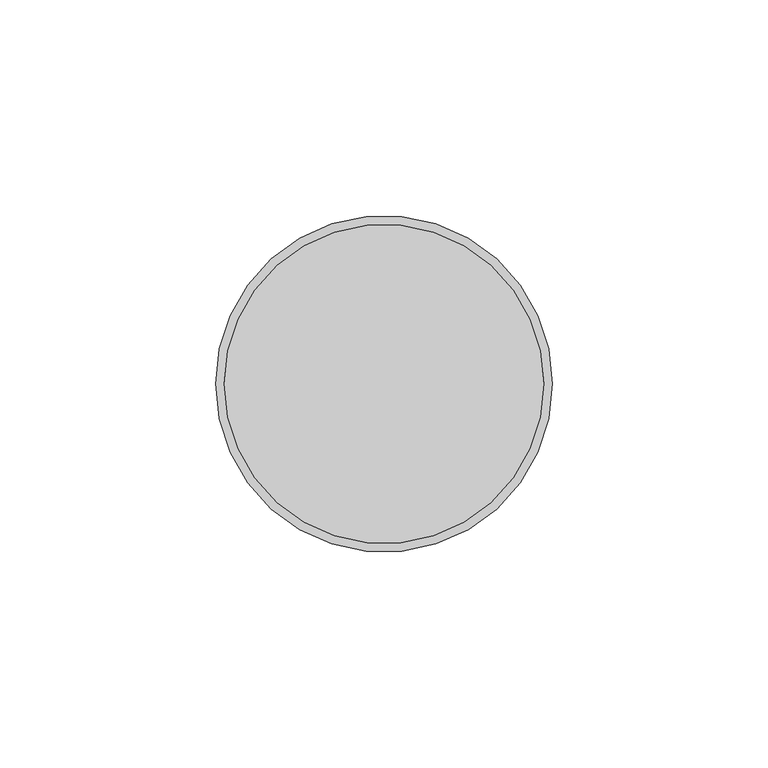
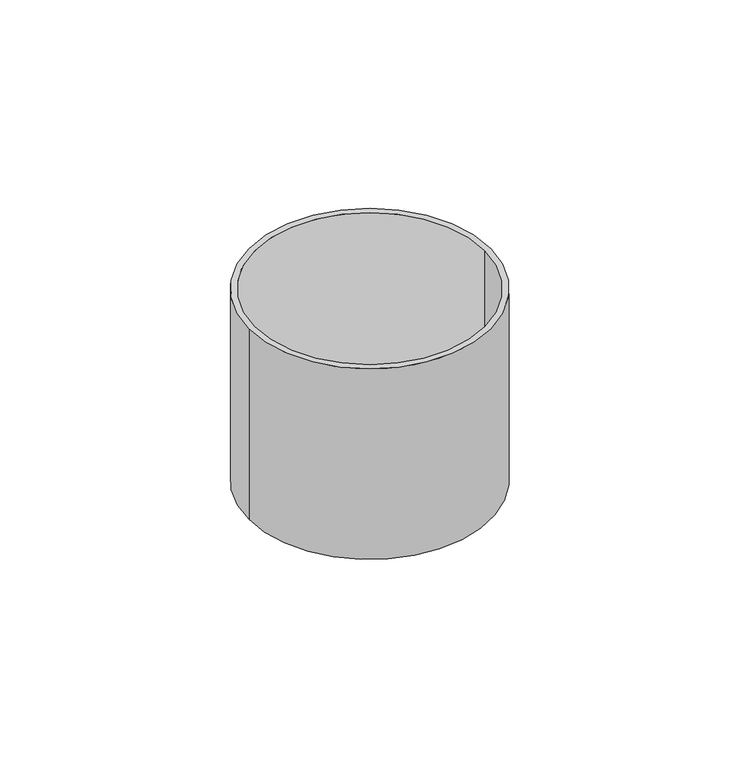
"""IFC4 building model written with IfcOpenShell, lengths in millimetres: proxy geometry."""

from ifc_helpers import new_model, si_unit, point, frame, origin, origin_2d, place, context, project, spatial, circle_curve, trimmed, segment, composite_curve, outline, extrude, source, transform, mapped, element, save


def electrical_fixtures_f0cebe9c(model_context):
    return source(origin(), model_context, "Body", "SweptSolid", [
        extrude(outline(composite_curve([segment(trimmed(circle_curve(origin_2d(), 37.0), [point((37.0, 0.0))], [point((-37.0, 0.0))], False, "CARTESIAN"), True, "CONTINUOUS"), segment(trimmed(circle_curve(origin_2d(), 37.0), [point((-37.0, 0.0))], [point((37.0, 0.0))], False, "CARTESIAN"), True, "CONTINUOUS")], self_intersect=False)), frame((0.0, 0.0, -65.0), z_axis=(0.0, 0.0, 1.0), x_axis=(1.0, 0.0, 0.0)), (0.0, 0.0, 1.0), 2.0),
        extrude(outline(composite_curve([segment(trimmed(circle_curve(origin_2d(), 39.0), [point((39.0, 0.0))], [point((-39.0, 0.0))], False, "CARTESIAN"), True, "CONTINUOUS"), segment(trimmed(circle_curve(origin_2d(), 39.0), [point((-39.0, 0.0))], [point((39.0, 0.0))], False, "CARTESIAN"), True, "CONTINUOUS")], self_intersect=False), holes=[composite_curve([segment(trimmed(circle_curve(origin_2d(), 37.0), [point((-37.0, 0.0))], [point((37.0, 0.0))], True, "CARTESIAN"), True, "CONTINUOUS"), segment(trimmed(circle_curve(origin_2d(), 37.0), [point((37.0, 0.0))], [point((-37.0, 0.0))], True, "CARTESIAN"), True, "CONTINUOUS")], self_intersect=False)]), frame((0.0, 0.0, -65.0), z_axis=(0.0, 0.0, 1.0), x_axis=(1.0, 0.0, 0.0)), (0.0, 0.0, 1.0), 65.0),
    ])


if __name__ == "__main__":
    model = new_model("IFC4")
    model_context = context("Model", 3, world=origin())
    ifc_project = project(units=[si_unit("LENGTHUNIT", "METRE", prefix="MILLI")], contexts=[model_context])
    site = spatial("IfcSite", under=ifc_project)
    building = spatial("IfcBuilding", under=site)
    placement = place(None, origin())
    electrical_fixtures_shape = electrical_fixtures_f0cebe9c(model_context)
    element("IfcBuildingElementProxy", 1, Name="Electrical Fixtures", at=placement, inside=building, context=model_context, shape_type="MappedRepresentation", body=[
        mapped(electrical_fixtures_shape, transform((0.0, 0.0, 0.0), x_axis=(1.0, 0.0, 0.0), y_axis=(0.0, 1.0, 0.0), z_axis=(0.0, 0.0, 1.0))),
    ])
    save(model, "model.ifc")
